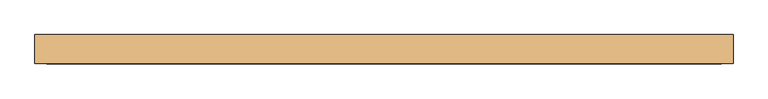
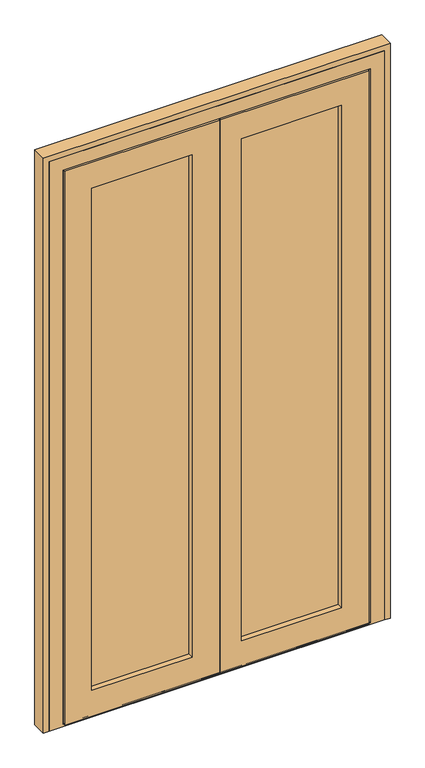
"""IFC4 building model written with IfcOpenShell, lengths in millimetres: door geometry."""

from ifc_helpers import new_model, si_unit, frame, origin, place, context, project, spatial, polyline, outline, extrude, faceted_brep, source, transform, mapped, element, save


def door_1022471b(model_context):
    return source(origin(), model_context, "Body", "SolidModel", [
        extrude(outline(polyline([(58.0, 91.0), (58.0, 70.0), (-325.0, 70.0), (-325.0, 91.0), (58.0, 91.0)])), frame((0.0, 0.0, 79.0), z_axis=(0.0, 0.0, 1.0), x_axis=(1.0, 0.0, 0.0)), (0.0, 0.0, 1.0), 1871.0),
        extrude(outline(polyline([(575.0, 91.0), (575.0, 70.0), (192.0, 70.0), (192.0, 91.0), (575.0, 91.0)])), frame((0.0, 0.0, 79.0), z_axis=(0.0, 0.0, 1.0), x_axis=(1.0, 0.0, 0.0)), (0.0, 0.0, 1.0), 1867.0),
        faceted_brep([(651.0, 58.0, 3.0), (651.0, 50.0, 3.0), (139.0, 50.0, 3.0), (139.0, 58.0, 3.0), (633.0, 58.0, 3.0), (633.0, 92.0, 3.0), (642.0, 92.0, 3.0), (642.0, 58.0, 3.0), (-401.0, 58.0, 3.0), (-392.0, 58.0, 3.0), (-392.0, 92.0, 3.0), (-383.0, 92.0, 3.0), (-383.0, 58.0, 3.0), (134.0, 58.0, 3.0), (134.0, 50.0, 3.0), (-401.0, 50.0, 3.0), (-401.0, 50.0, 2026.0), (-401.0, 58.0, 2026.0), (134.0, 50.0, 2026.0), (-307.0, 50.0, 1932.0), (40.0, 50.0, 1932.0), (40.0, 50.0, 97.0), (-307.0, 50.0, 97.0), (651.0, 50.0, 2026.0), (139.0, 50.0, 2026.0), (557.0, 50.0, 97.0), (210.0, 50.0, 97.0), (210.0, 50.0, 1932.0), (557.0, 50.0, 1932.0), (-307.0, 70.0, 97.0), (-307.0, 70.0, 1932.0), (575.0, 70.0, 79.0), (192.0, 70.0, 79.0), (192.0, 70.0, 1950.0), (575.0, 70.0, 1950.0), (557.0, 70.0, 1932.0), (210.0, 70.0, 1932.0), (210.0, 70.0, 97.0), (557.0, 70.0, 97.0), (-325.0, 70.0, 1950.0), (58.0, 70.0, 1950.0), (58.0, 70.0, 79.0), (-325.0, 70.0, 79.0), (40.0, 70.0, 97.0), (40.0, 70.0, 1932.0), (-325.0, 91.0, 79.0), (-325.0, 91.0, 1950.0), (575.0, 91.0, 1950.0), (192.0, 91.0, 1950.0), (192.0, 91.0, 79.0), (575.0, 91.0, 79.0), (557.0, 91.0, 97.0), (210.0, 91.0, 97.0), (210.0, 91.0, 1932.0), (557.0, 91.0, 1932.0), (58.0, 91.0, 79.0), (58.0, 91.0, 1950.0), (-307.0, 91.0, 1932.0), (40.0, 91.0, 1932.0), (40.0, 91.0, 97.0), (-307.0, 91.0, 97.0), (-307.0, 100.0, 97.0), (-307.0, 100.0, 1932.0), (-378.0, 100.0, 26.0), (-378.0, 100.0, 2003.0), (111.0, 100.0, 2003.0), (111.0, 100.0, 42.0), (116.0, 100.0, 42.0), (116.0, 100.0, 2003.0), (628.0, 100.0, 2003.0), (628.0, 100.0, 26.0), (557.0, 100.0, 1932.0), (210.0, 100.0, 1932.0), (210.0, 100.0, 97.0), (557.0, 100.0, 97.0), (40.0, 100.0, 97.0), (40.0, 100.0, 1932.0), (-378.0, 92.0, 26.0), (-378.0, 92.0, 2003.0), (633.0, 92.0, 12.0), (-383.0, 92.0, 12.0), (-392.0, 92.0, 2017.0), (642.0, 92.0, 2017.0), (111.0, 92.0, 42.0), (111.0, 92.0, 2003.0), (628.0, 92.0, 26.0), (628.0, 92.0, 2003.0), (116.0, 92.0, 2003.0), (116.0, 92.0, 42.0), (-392.0, 58.0, 2017.0), (134.0, 58.0, 2026.0), (134.0, 58.0, 2017.0), (642.0, 58.0, 2017.0), (139.0, 58.0, 2017.0), (139.0, 58.0, 2026.0), (651.0, 58.0, 2026.0), (633.0, 58.0, 12.0), (-383.0, 58.0, 12.0), (139.0, 58.0, 12.0), (134.0, 58.0, 12.0)], [[[0, 1, 2, 3, 4, 5, 6, 7]], [[8, 9, 10, 11, 12, 13, 14, 15]], [[15, 16, 17, 8]], [[15, 14, 18, 16], [19, 20, 21, 22]], [[23, 24, 2, 1], [25, 26, 27, 28]], [[19, 22, 29, 30]], [[31, 32, 33, 34], [35, 36, 37, 38]], [[39, 40, 41, 42], [29, 43, 44, 30]], [[39, 42, 45, 46]], [[47, 48, 49, 50], [51, 52, 53, 54]], [[45, 55, 56, 46], [57, 58, 59, 60]], [[57, 60, 61, 62]], [[63, 64, 65, 66, 67, 68, 69, 70], [71, 72, 73, 74], [61, 75, 76, 62]], [[64, 63, 77, 78]], [[6, 5, 79, 80, 11, 10, 81, 82], [83, 84, 78, 77, 85, 86, 87, 88]], [[9, 89, 81, 10]], [[8, 17, 90, 91, 89, 9]], [[92, 93, 94, 95, 0, 7]], [[16, 18, 90, 17]], [[95, 94, 24, 23]], [[30, 44, 20, 19]], [[28, 27, 36, 35]], [[46, 56, 40, 39]], [[34, 33, 48, 47]], [[62, 76, 58, 57]], [[54, 53, 72, 71]], [[78, 84, 65, 64]], [[69, 68, 87, 86]], [[81, 89, 91, 93, 92, 82]], [[1, 0, 95, 23]], [[35, 38, 25, 28]], [[47, 50, 31, 34]], [[71, 74, 51, 54]], [[86, 85, 70, 69]], [[82, 92, 7, 6]], [[38, 37, 26, 25]], [[22, 21, 43, 29]], [[42, 41, 55, 45]], [[50, 49, 32, 31]], [[74, 73, 52, 51]], [[60, 59, 75, 61]], [[79, 5, 4, 96]], [[97, 12, 11, 80]], [[96, 98, 99, 97, 80, 79]], [[4, 3, 98, 96]], [[97, 99, 13, 12]], [[68, 67, 88, 87]], [[72, 53, 52, 73]], [[33, 32, 49, 48]], [[36, 27, 26, 37]], [[2, 24, 94, 93, 98, 3]], [[91, 99, 98, 93]], [[13, 99, 91, 90, 18, 14]], [[43, 21, 20, 44]], [[56, 55, 41, 40]], [[75, 59, 58, 76]], [[66, 65, 84, 83]], [[85, 77, 63, 70]], [[88, 67, 66, 83]]]),
        faceted_brep([(-455.0, 100.0, 0.0), (705.0, 100.0, 0.0), (705.0, 50.0, 0.0), (-455.0, 50.0, 0.0), (-455.0, 50.0, 2080.0), (705.0, 50.0, 2080.0), (656.0, 50.0, 2031.0), (656.0, 50.0, 8.0), (139.0, 50.0, 8.0), (139.0, 50.0, 3.0), (134.0, 50.0, 3.0), (134.0, 50.0, 8.0), (-406.0, 50.0, 8.0), (-406.0, 50.0, 2031.0), (-406.0, 58.0, 8.0), (-406.0, 58.0, 2031.0), (134.0, 58.0, 8.0), (134.0, 58.0, 3.0), (139.0, 58.0, 3.0), (139.0, 58.0, 8.0), (656.0, 58.0, 8.0), (656.0, 58.0, 2031.0), (-392.0, 58.0, 2017.0), (642.0, 58.0, 2017.0), (642.0, 58.0, 12.0), (-392.0, 58.0, 12.0), (-392.0, 92.0, 12.0), (-392.0, 92.0, 2017.0), (-383.0, 92.0, 12.0), (-383.0, 92.0, 2008.0), (111.0, 92.0, 2008.0), (116.0, 92.0, 2008.0), (633.0, 92.0, 2008.0), (633.0, 92.0, 12.0), (642.0, 92.0, 12.0), (642.0, 92.0, 2017.0), (-383.0, 100.0, 12.0), (-383.0, 100.0, 2008.0), (705.0, 100.0, 2080.0), (-455.0, 100.0, 2080.0), (633.0, 100.0, 12.0), (633.0, 100.0, 2008.0), (116.0, 100.0, 2008.0), (111.0, 100.0, 2008.0)], [[[0, 1, 2, 3]], [[4, 3, 2, 5], [6, 7, 8, 9, 10, 11, 12, 13]], [[13, 12, 14, 15]], [[15, 14, 16, 17, 18, 19, 20, 21], [22, 23, 24, 25]], [[22, 25, 26, 27]], [[27, 26, 28, 29, 30, 31, 32, 33, 34, 35]], [[29, 28, 36, 37]], [[38, 1, 0, 39], [36, 40, 41, 42, 43, 37]], [[3, 4, 39, 0]], [[13, 15, 21, 6]], [[27, 35, 23, 22]], [[37, 43, 42, 41, 32, 31, 30, 29]], [[5, 38, 39, 4]], [[21, 20, 7, 6]], [[35, 34, 24, 23]], [[41, 40, 33, 32]], [[5, 2, 1, 38]], [[20, 19, 8, 7]], [[12, 11, 16, 14]], [[36, 28, 26, 25, 24, 34, 33, 40]], [[18, 17, 10, 9]], [[9, 8, 19, 18]], [[17, 16, 11, 10]]]),
        extrude(outline(polyline([(2100.0, -475.0), (0.0, -475.0), (0.0, -455.0), (2080.0, -455.0), (2080.0, 705.0), (0.0, 705.0), (0.0, 725.0), (2100.0, 725.0), (2100.0, -475.0)])), frame((0.0, 50.0, 0.0), z_axis=(0.0, 1.0, 0.0), x_axis=(0.0, 0.0, 1.0)), (0.0, 0.0, 1.0), 50.0),
    ])


if __name__ == "__main__":
    model = new_model("IFC4")
    model_context = context("Model", 3, world=origin())
    ifc_project = project(units=[si_unit("LENGTHUNIT", "METRE", prefix="MILLI")], contexts=[model_context])
    site = spatial("IfcSite", under=ifc_project)
    building = spatial("IfcBuilding", under=site)
    placement = place(None, origin())
    door_shape = door_1022471b(model_context)
    element("IfcDoor", 1, at=placement, inside=building, context=model_context, shape_type="MappedRepresentation", body=[
        mapped(door_shape, transform((0.0, 0.0, 0.0), x_axis=(1.0, 0.0, 0.0), y_axis=(0.0, 1.0, 0.0), z_axis=(0.0, 0.0, 1.0))),
    ])
    save(model, "model.ifc")
